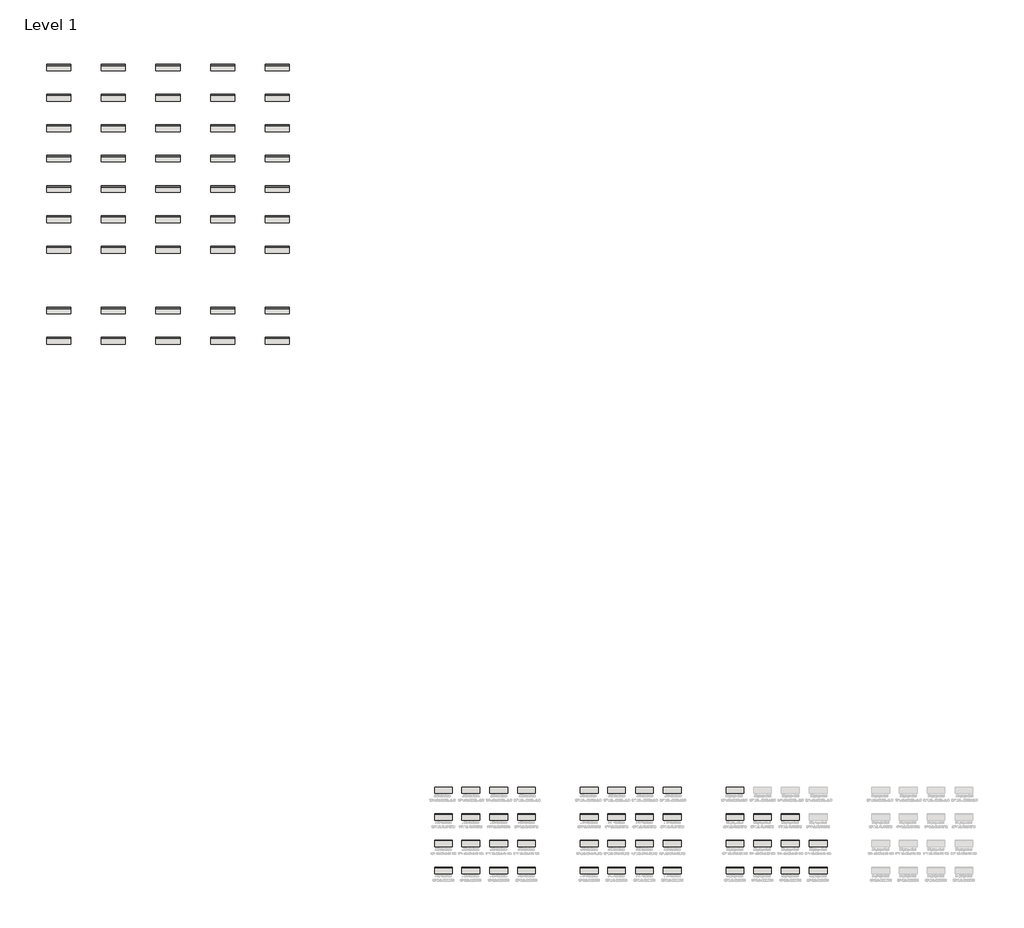
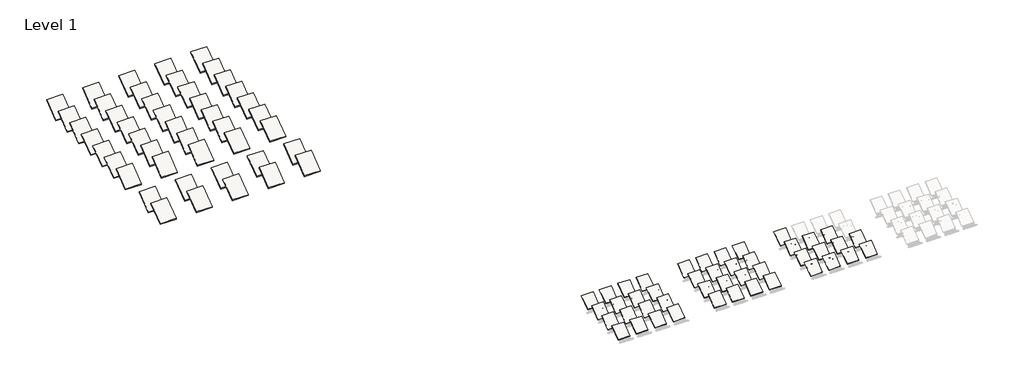
# One storey, part 1 of 65: 89 roofs.
"""IFC4 building model written with IfcOpenShell, lengths in millimetres."""

from ifc_helpers import new_model, si_unit, frame, origin, place, context, project, spatial, polyline, outline, extrude, element, save

model = new_model("IFC4")

# Units and contexts
model_context = context("Model", 3, world=origin())
ifc_project = project(units=[si_unit("LENGTHUNIT", "METRE", prefix="MILLI")], contexts=[model_context])

# Site, building, storey
site = spatial("IfcSite", under=ifc_project)
building = spatial("IfcBuilding", under=site)
storey = spatial("IfcBuildingStorey", under=building, Name="Level 1", Elevation=0.0)

# Roofs
placement = place(None, origin())
element("IfcRoof", 1, at=placement, inside=storey, context=model_context, shape_type="SweptSolid", body=[
    extrude(outline(polyline([(-510.368034, 67.46875), (3604.431966, 3153.56875), (3604.431966, 3086.1), (-510.368034, 0.0), (-510.368034, 67.46875)])), frame((-14989.2642733, 0.0, 0.0), z_axis=(1.0, 0.0, 0.0), x_axis=(0.0, 1.0, 0.0)), (0.0, 0.0, 1.0), 4455.1600003),
])
element("IfcRoof", 2, at=placement, inside=storey, context=model_context, shape_type="SweptSolid", body=[
    extrude(outline(polyline([(-510.368034, 67.46875), (3604.431966, 3153.56875), (3604.431966, 3086.1), (-510.368034, 0.0), (-510.368034, 67.46875)])), frame((-8131.2642733, 0.0, 0.0), z_axis=(1.0, 0.0, 0.0), x_axis=(0.0, 1.0, 0.0)), (0.0, 0.0, 1.0), 4455.1600003),
])
element("IfcRoof", 3, at=placement, inside=storey, context=model_context, shape_type="SweptSolid", body=[
    extrude(outline(polyline([(-510.368034, 67.46875), (3604.431966, 3153.56875), (3604.431966, 3086.1), (-510.368034, 0.0), (-510.368034, 67.46875)])), frame((-1120.8642733, 0.0, 0.0), z_axis=(1.0, 0.0, 0.0), x_axis=(0.0, 1.0, 0.0)), (0.0, 0.0, 1.0), 4455.1600003),
])
element("IfcRoof", 4, at=placement, inside=storey, context=model_context, shape_type="SweptSolid", body=[
    extrude(outline(polyline([(-510.368034, 67.46875), (3604.431966, 3153.56875), (3604.431966, 3086.1), (-510.368034, 0.0), (-510.368034, 67.46875)])), frame((5864.1357267, 0.0, 0.0), z_axis=(1.0, 0.0, 0.0), x_axis=(0.0, 1.0, 0.0)), (0.0, 0.0, 1.0), 4455.1600003),
])
element("IfcRoof", 5, at=placement, inside=storey, context=model_context, shape_type="SweptSolid", body=[
    extrude(outline(polyline([(6195.231966, 67.46875), (10310.031966, 3153.56875), (10310.031966, 3086.1), (6195.231966, 0.0), (6195.231966, 67.46875)])), frame((-14989.2642733, 0.0, 0.0), z_axis=(1.0, 0.0, 0.0), x_axis=(0.0, 1.0, 0.0)), (0.0, 0.0, 1.0), 4455.1600003),
])
element("IfcRoof", 6, at=placement, inside=storey, context=model_context, shape_type="SweptSolid", body=[
    extrude(outline(polyline([(6195.231966, 67.46875), (10310.031966, 3153.56875), (10310.031966, 3086.1), (6195.231966, 0.0), (6195.231966, 67.46875)])), frame((-8131.2642733, 0.0, 0.0), z_axis=(1.0, 0.0, 0.0), x_axis=(0.0, 1.0, 0.0)), (0.0, 0.0, 1.0), 4455.1600003),
])
element("IfcRoof", 7, at=placement, inside=storey, context=model_context, shape_type="SweptSolid", body=[
    extrude(outline(polyline([(6195.231966, 67.46875), (10310.031966, 3153.56875), (10310.031966, 3086.1), (6195.231966, 0.0), (6195.231966, 67.46875)])), frame((-1120.8642733, 0.0, 0.0), z_axis=(1.0, 0.0, 0.0), x_axis=(0.0, 1.0, 0.0)), (0.0, 0.0, 1.0), 4455.1600003),
])
element("IfcRoof", 8, at=placement, inside=storey, context=model_context, shape_type="SweptSolid", body=[
    extrude(outline(polyline([(6195.231966, 67.46875), (10310.031966, 3153.56875), (10310.031966, 3086.1), (6195.231966, 0.0), (6195.231966, 67.46875)])), frame((5864.1357267, 0.0, 0.0), z_axis=(1.0, 0.0, 0.0), x_axis=(0.0, 1.0, 0.0)), (0.0, 0.0, 1.0), 4455.1600003),
])
element("IfcRoof", 9, at=placement, inside=storey, context=model_context, shape_type="SweptSolid", body=[
    extrude(outline(polyline([(12900.355716, 67.46875), (17015.155716, 3153.56875), (17015.155716, 3086.1), (12900.355716, 0.0), (12900.355716, 67.46875)])), frame((-14989.2642733, 0.0, 0.0), z_axis=(1.0, 0.0, 0.0), x_axis=(0.0, 1.0, 0.0)), (0.0, 0.0, 1.0), 4455.1600003),
])
element("IfcRoof", 10, at=placement, inside=storey, context=model_context, shape_type="SweptSolid", body=[
    extrude(outline(polyline([(12900.355716, 67.46875), (17015.155716, 3153.56875), (17015.155716, 3086.1), (12900.355716, 0.0), (12900.355716, 67.46875)])), frame((-8131.2642733, 0.0, 0.0), z_axis=(1.0, 0.0, 0.0), x_axis=(0.0, 1.0, 0.0)), (0.0, 0.0, 1.0), 4455.1600003),
])
element("IfcRoof", 11, at=placement, inside=storey, context=model_context, shape_type="SweptSolid", body=[
    extrude(outline(polyline([(12900.355716, 67.46875), (17015.155716, 3153.56875), (17015.155716, 3086.1), (12900.355716, 0.0), (12900.355716, 67.46875)])), frame((-1120.8642733, 0.0, 0.0), z_axis=(1.0, 0.0, 0.0), x_axis=(0.0, 1.0, 0.0)), (0.0, 0.0, 1.0), 4455.1600003),
])
element("IfcRoof", 12, at=placement, inside=storey, context=model_context, shape_type="SweptSolid", body=[
    extrude(outline(polyline([(12900.355716, 67.46875), (17015.155716, 3153.56875), (17015.155716, 3086.1), (12900.355716, 0.0), (12900.355716, 67.46875)])), frame((5864.1357267, 0.0, 0.0), z_axis=(1.0, 0.0, 0.0), x_axis=(0.0, 1.0, 0.0)), (0.0, 0.0, 1.0), 4455.1600003),
])
element("IfcRoof", 13, at=placement, inside=storey, context=model_context, shape_type="SweptSolid", body=[
    extrude(outline(polyline([(19605.479466, 67.46875), (23720.279466, 3153.56875), (23720.279466, 3086.1), (19605.479466, 0.0), (19605.479466, 67.46875)])), frame((-14989.2642733, 0.0, 0.0), z_axis=(1.0, 0.0, 0.0), x_axis=(0.0, 1.0, 0.0)), (0.0, 0.0, 1.0), 4455.1600003),
])
element("IfcRoof", 14, at=placement, inside=storey, context=model_context, shape_type="SweptSolid", body=[
    extrude(outline(polyline([(19605.479466, 67.46875), (23720.279466, 3153.56875), (23720.279466, 3086.1), (19605.479466, 0.0), (19605.479466, 67.46875)])), frame((-8131.2642733, 0.0, 0.0), z_axis=(1.0, 0.0, 0.0), x_axis=(0.0, 1.0, 0.0)), (0.0, 0.0, 1.0), 4455.1600003),
])
element("IfcRoof", 15, at=placement, inside=storey, context=model_context, shape_type="SweptSolid", body=[
    extrude(outline(polyline([(19605.479466, 67.46875), (23720.279466, 3153.56875), (23720.279466, 3086.1), (19605.479466, 0.0), (19605.479466, 67.46875)])), frame((-1120.8642733, 0.0, 0.0), z_axis=(1.0, 0.0, 0.0), x_axis=(0.0, 1.0, 0.0)), (0.0, 0.0, 1.0), 4455.1600003),
])
element("IfcRoof", 16, at=placement, inside=storey, context=model_context, shape_type="SweptSolid", body=[
    extrude(outline(polyline([(19605.479466, 67.46875), (23720.279466, 3153.56875), (23720.279466, 3086.1), (19605.479466, 0.0), (19605.479466, 67.46875)])), frame((5864.1357267, 0.0, 0.0), z_axis=(1.0, 0.0, 0.0), x_axis=(0.0, 1.0, 0.0)), (0.0, 0.0, 1.0), 4455.1600003),
])
element("IfcRoof", 17, at=placement, inside=storey, context=model_context, shape_type="SweptSolid", body=[
    extrude(outline(polyline([(-510.606159, 67.46875), (3604.193841, 3153.56875), (3604.193841, 3086.1), (-510.606159, 0.0), (-510.606159, 67.46875)])), frame((21596.895727, 0.0, 0.0), z_axis=(1.0, 0.0, 0.0), x_axis=(0.0, 1.0, 0.0)), (0.0, 0.0, 1.0), 4455.1600003),
])
element("IfcRoof", 18, at=placement, inside=storey, context=model_context, shape_type="SweptSolid", body=[
    extrude(outline(polyline([(-510.606159, 67.46875), (3604.193841, 3153.56875), (3604.193841, 3086.1), (-510.606159, 0.0), (-510.606159, 67.46875)])), frame((28454.895727, 0.0, 0.0), z_axis=(1.0, 0.0, 0.0), x_axis=(0.0, 1.0, 0.0)), (0.0, 0.0, 1.0), 4455.1600003),
])
element("IfcRoof", 19, at=placement, inside=storey, context=model_context, shape_type="SweptSolid", body=[
    extrude(outline(polyline([(-510.606159, 67.46875), (3604.193841, 3153.56875), (3604.193841, 3086.1), (-510.606159, 0.0), (-510.606159, 67.46875)])), frame((35465.295727, 0.0, 0.0), z_axis=(1.0, 0.0, 0.0), x_axis=(0.0, 1.0, 0.0)), (0.0, 0.0, 1.0), 4455.1600003),
])
element("IfcRoof", 20, at=placement, inside=storey, context=model_context, shape_type="SweptSolid", body=[
    extrude(outline(polyline([(-510.606159, 67.46875), (3604.193841, 3153.56875), (3604.193841, 3086.1), (-510.606159, 0.0), (-510.606159, 67.46875)])), frame((42450.295727, 0.0, 0.0), z_axis=(1.0, 0.0, 0.0), x_axis=(0.0, 1.0, 0.0)), (0.0, 0.0, 1.0), 4455.1600003),
])
element("IfcRoof", 21, at=placement, inside=storey, context=model_context, shape_type="SweptSolid", body=[
    extrude(outline(polyline([(6194.993841, 67.46875), (10309.793841, 3153.56875), (10309.793841, 3086.1), (6194.993841, 0.0), (6194.993841, 67.46875)])), frame((21596.895727, 0.0, 0.0), z_axis=(1.0, 0.0, 0.0), x_axis=(0.0, 1.0, 0.0)), (0.0, 0.0, 1.0), 4455.1600003),
])
element("IfcRoof", 22, at=placement, inside=storey, context=model_context, shape_type="SweptSolid", body=[
    extrude(outline(polyline([(6194.993841, 67.46875), (10309.793841, 3153.56875), (10309.793841, 3086.1), (6194.993841, 0.0), (6194.993841, 67.46875)])), frame((28454.895727, 0.0, 0.0), z_axis=(1.0, 0.0, 0.0), x_axis=(0.0, 1.0, 0.0)), (0.0, 0.0, 1.0), 4455.1600003),
])
element("IfcRoof", 23, at=placement, inside=storey, context=model_context, shape_type="SweptSolid", body=[
    extrude(outline(polyline([(6194.993841, 67.46875), (10309.793841, 3153.56875), (10309.793841, 3086.1), (6194.993841, 0.0), (6194.993841, 67.46875)])), frame((35465.295727, 0.0, 0.0), z_axis=(1.0, 0.0, 0.0), x_axis=(0.0, 1.0, 0.0)), (0.0, 0.0, 1.0), 4455.1600003),
])
element("IfcRoof", 24, at=placement, inside=storey, context=model_context, shape_type="SweptSolid", body=[
    extrude(outline(polyline([(6194.993841, 67.46875), (10309.793841, 3153.56875), (10309.793841, 3086.1), (6194.993841, 0.0), (6194.993841, 67.46875)])), frame((42450.295727, 0.0, 0.0), z_axis=(1.0, 0.0, 0.0), x_axis=(0.0, 1.0, 0.0)), (0.0, 0.0, 1.0), 4455.1600003),
])
element("IfcRoof", 25, at=placement, inside=storey, context=model_context, shape_type="SweptSolid", body=[
    extrude(outline(polyline([(12900.117591, 67.46875), (17014.917591, 3153.56875), (17014.917591, 3086.1), (12900.117591, 0.0), (12900.117591, 67.46875)])), frame((21596.895727, 0.0, 0.0), z_axis=(1.0, 0.0, 0.0), x_axis=(0.0, 1.0, 0.0)), (0.0, 0.0, 1.0), 4455.1600003),
])
element("IfcRoof", 26, at=placement, inside=storey, context=model_context, shape_type="SweptSolid", body=[
    extrude(outline(polyline([(12900.117591, 67.46875), (17014.917591, 3153.56875), (17014.917591, 3086.1), (12900.117591, 0.0), (12900.117591, 67.46875)])), frame((28454.895727, 0.0, 0.0), z_axis=(1.0, 0.0, 0.0), x_axis=(0.0, 1.0, 0.0)), (0.0, 0.0, 1.0), 4455.1600003),
])
element("IfcRoof", 27, at=placement, inside=storey, context=model_context, shape_type="SweptSolid", body=[
    extrude(outline(polyline([(12900.117591, 67.46875), (17014.917591, 3153.56875), (17014.917591, 3086.1), (12900.117591, 0.0), (12900.117591, 67.46875)])), frame((35465.295727, 0.0, 0.0), z_axis=(1.0, 0.0, 0.0), x_axis=(0.0, 1.0, 0.0)), (0.0, 0.0, 1.0), 4455.1600003),
])
element("IfcRoof", 28, at=placement, inside=storey, context=model_context, shape_type="SweptSolid", body=[
    extrude(outline(polyline([(12900.117591, 67.46875), (17014.917591, 3153.56875), (17014.917591, 3086.1), (12900.117591, 0.0), (12900.117591, 67.46875)])), frame((42450.295727, 0.0, 0.0), z_axis=(1.0, 0.0, 0.0), x_axis=(0.0, 1.0, 0.0)), (0.0, 0.0, 1.0), 4455.1600003),
])
element("IfcRoof", 29, at=placement, inside=storey, context=model_context, shape_type="SweptSolid", body=[
    extrude(outline(polyline([(19605.241341, 67.46875), (23720.041341, 3153.56875), (23720.041341, 3086.1), (19605.241341, 0.0), (19605.241341, 67.46875)])), frame((21596.895727, 0.0, 0.0), z_axis=(1.0, 0.0, 0.0), x_axis=(0.0, 1.0, 0.0)), (0.0, 0.0, 1.0), 4455.1600003),
])
element("IfcRoof", 30, at=placement, inside=storey, context=model_context, shape_type="SweptSolid", body=[
    extrude(outline(polyline([(19605.241341, 67.46875), (23720.041341, 3153.56875), (23720.041341, 3086.1), (19605.241341, 0.0), (19605.241341, 67.46875)])), frame((28454.895727, 0.0, 0.0), z_axis=(1.0, 0.0, 0.0), x_axis=(0.0, 1.0, 0.0)), (0.0, 0.0, 1.0), 4455.1600003),
])
element("IfcRoof", 31, at=placement, inside=storey, context=model_context, shape_type="SweptSolid", body=[
    extrude(outline(polyline([(19605.241341, 67.46875), (23720.041341, 3153.56875), (23720.041341, 3086.1), (19605.241341, 0.0), (19605.241341, 67.46875)])), frame((35465.295727, 0.0, 0.0), z_axis=(1.0, 0.0, 0.0), x_axis=(0.0, 1.0, 0.0)), (0.0, 0.0, 1.0), 4455.1600003),
])
element("IfcRoof", 32, at=placement, inside=storey, context=model_context, shape_type="SweptSolid", body=[
    extrude(outline(polyline([(19605.241341, 67.46875), (23720.041341, 3153.56875), (23720.041341, 3086.1), (19605.241341, 0.0), (19605.241341, 67.46875)])), frame((42450.295727, 0.0, 0.0), z_axis=(1.0, 0.0, 0.0), x_axis=(0.0, 1.0, 0.0)), (0.0, 0.0, 1.0), 4455.1600003),
])
element("IfcRoof", 33, at=placement, inside=storey, context=model_context, shape_type="SweptSolid", body=[
    extrude(outline(polyline([(-509.2964715, 67.46875), (3605.5035285, 3153.56875), (3605.5035285, 3086.1), (-509.2964715, 0.0), (-509.2964715, 67.46875)])), frame((58183.0557273, 0.0, 0.0), z_axis=(1.0, 0.0, 0.0), x_axis=(0.0, 1.0, 0.0)), (0.0, 0.0, 1.0), 4455.1600003),
])
element("IfcRoof", 34, at=placement, inside=storey, context=model_context, shape_type="SweptSolid", body=[
    extrude(outline(polyline([(-509.2964715, 67.46875), (3605.5035285, 3153.56875), (3605.5035285, 3086.1), (-509.2964715, 0.0), (-509.2964715, 67.46875)])), frame((65041.0557273, 0.0, 0.0), z_axis=(1.0, 0.0, 0.0), x_axis=(0.0, 1.0, 0.0)), (0.0, 0.0, 1.0), 4455.1600003),
])
element("IfcRoof", 35, at=placement, inside=storey, context=model_context, shape_type="SweptSolid", body=[
    extrude(outline(polyline([(-509.2964715, 67.46875), (3605.5035285, 3153.56875), (3605.5035285, 3086.1), (-509.2964715, 0.0), (-509.2964715, 67.46875)])), frame((72051.4557273, 0.0, 0.0), z_axis=(1.0, 0.0, 0.0), x_axis=(0.0, 1.0, 0.0)), (0.0, 0.0, 1.0), 4455.1600003),
])
element("IfcRoof", 36, at=placement, inside=storey, context=model_context, shape_type="SweptSolid", body=[
    extrude(outline(polyline([(-509.2964715, 67.46875), (3605.5035285, 3153.56875), (3605.5035285, 3086.1), (-509.2964715, 0.0), (-509.2964715, 67.46875)])), frame((79036.4557273, 0.0, 0.0), z_axis=(1.0, 0.0, 0.0), x_axis=(0.0, 1.0, 0.0)), (0.0, 0.0, 1.0), 4455.1600003),
])
element("IfcRoof", 37, at=placement, inside=storey, context=model_context, shape_type="SweptSolid", body=[
    extrude(outline(polyline([(6196.3035285, 67.46875), (10311.1035285, 3153.56875), (10311.1035285, 3086.1), (6196.3035285, 0.0), (6196.3035285, 67.46875)])), frame((58183.0557273, 0.0, 0.0), z_axis=(1.0, 0.0, 0.0), x_axis=(0.0, 1.0, 0.0)), (0.0, 0.0, 1.0), 4455.1600003),
])
element("IfcRoof", 38, at=placement, inside=storey, context=model_context, shape_type="SweptSolid", body=[
    extrude(outline(polyline([(6196.3035285, 67.46875), (10311.1035285, 3153.56875), (10311.1035285, 3086.1), (6196.3035285, 0.0), (6196.3035285, 67.46875)])), frame((65041.0557273, 0.0, 0.0), z_axis=(1.0, 0.0, 0.0), x_axis=(0.0, 1.0, 0.0)), (0.0, 0.0, 1.0), 4455.1600003),
])
element("IfcRoof", 39, at=placement, inside=storey, context=model_context, shape_type="SweptSolid", body=[
    extrude(outline(polyline([(6196.3035285, 67.46875), (10311.1035285, 3153.56875), (10311.1035285, 3086.1), (6196.3035285, 0.0), (6196.3035285, 67.46875)])), frame((72051.4557273, 0.0, 0.0), z_axis=(1.0, 0.0, 0.0), x_axis=(0.0, 1.0, 0.0)), (0.0, 0.0, 1.0), 4455.1600003),
])
element("IfcRoof", 40, at=placement, inside=storey, context=model_context, shape_type="SweptSolid", body=[
    extrude(outline(polyline([(6196.3035285, 67.46875), (10311.1035285, 3153.56875), (10311.1035285, 3086.1), (6196.3035285, 0.0), (6196.3035285, 67.46875)])), frame((79036.4557273, 0.0, 0.0), z_axis=(1.0, 0.0, 0.0), x_axis=(0.0, 1.0, 0.0)), (0.0, 0.0, 1.0), 4455.1600003),
])
element("IfcRoof", 41, at=placement, inside=storey, context=model_context, shape_type="SweptSolid", body=[
    extrude(outline(polyline([(12901.9035285, 67.46875), (17016.7035285, 3153.56875), (17016.7035285, 3086.1), (12901.9035285, 0.0), (12901.9035285, 67.46875)])), frame((58183.0557273, 0.0, 0.0), z_axis=(1.0, 0.0, 0.0), x_axis=(0.0, 1.0, 0.0)), (0.0, 0.0, 1.0), 4455.1600003),
])
element("IfcRoof", 42, at=placement, inside=storey, context=model_context, shape_type="SweptSolid", body=[
    extrude(outline(polyline([(12901.9035285, 67.46875), (17016.7035285, 3153.56875), (17016.7035285, 3086.1), (12901.9035285, 0.0), (12901.9035285, 67.46875)])), frame((65041.0557273, 0.0, 0.0), z_axis=(1.0, 0.0, 0.0), x_axis=(0.0, 1.0, 0.0)), (0.0, 0.0, 1.0), 4455.1600003),
])
element("IfcRoof", 43, at=placement, inside=storey, context=model_context, shape_type="SweptSolid", body=[
    extrude(outline(polyline([(12901.9035285, 67.46875), (17016.7035285, 3153.56875), (17016.7035285, 3086.1), (12901.9035285, 0.0), (12901.9035285, 67.46875)])), frame((72051.4557273, 0.0, 0.0), z_axis=(1.0, 0.0, 0.0), x_axis=(0.0, 1.0, 0.0)), (0.0, 0.0, 1.0), 4455.1600003),
])
element("IfcRoof", 44, at=placement, inside=storey, context=model_context, shape_type="SweptSolid", body=[
    extrude(outline(polyline([(19607.0272785, 67.46875), (23721.8272785, 3153.56875), (23721.8272785, 3086.1), (19607.0272785, 0.0), (19607.0272785, 67.46875)])), frame((58183.0557273, 0.0, 0.0), z_axis=(1.0, 0.0, 0.0), x_axis=(0.0, 1.0, 0.0)), (0.0, 0.0, 1.0), 4455.1600003),
])
element("IfcRoof", 45, at=placement, inside=storey, context=model_context, shape_type="SweptSolid", body=[
    extrude(outline(polyline([(132349.9089806, 219.5417395), (138445.9089806, 4791.5417395), (138445.9089806, 4505.7917395), (132349.9089806, -66.2082605), (132349.9089806, 219.5417395)])), frame((-112364.8308548, 0.0, 0.0), z_axis=(1.0, 0.0, 0.0), x_axis=(0.0, 1.0, 0.0)), (0.0, 0.0, 1.0), 6096.0),
])
element("IfcRoof", 46, at=placement, inside=storey, context=model_context, shape_type="SweptSolid", body=[
    extrude(outline(polyline([(132349.9089806, 219.5417395), (138445.9089806, 4791.5417395), (138445.9089806, 4505.7917395), (132349.9089806, -66.2082605), (132349.9089806, 219.5417395)])), frame((-98648.8308548, 0.0, 0.0), z_axis=(1.0, 0.0, 0.0), x_axis=(0.0, 1.0, 0.0)), (0.0, 0.0, 1.0), 6096.0),
])
element("IfcRoof", 47, at=placement, inside=storey, context=model_context, shape_type="SweptSolid", body=[
    extrude(outline(polyline([(132349.9089806, 219.5417395), (138445.9089806, 4791.5417395), (138445.9089806, 4505.7917395), (132349.9089806, -66.2082605), (132349.9089806, 219.5417395)])), frame((-84932.8308548, 0.0, 0.0), z_axis=(1.0, 0.0, 0.0), x_axis=(0.0, 1.0, 0.0)), (0.0, 0.0, 1.0), 6096.0),
])
element("IfcRoof", 48, at=placement, inside=storey, context=model_context, shape_type="SweptSolid", body=[
    extrude(outline(polyline([(132349.9089806, 219.5417395), (138445.9089806, 4791.5417395), (138445.9089806, 4505.7917395), (132349.9089806, -66.2082605), (132349.9089806, 219.5417395)])), frame((-71216.8308548, 0.0, 0.0), z_axis=(1.0, 0.0, 0.0), x_axis=(0.0, 1.0, 0.0)), (0.0, 0.0, 1.0), 6096.0),
])
element("IfcRoof", 49, at=placement, inside=storey, context=model_context, shape_type="SweptSolid", body=[
    extrude(outline(polyline([(132349.9089806, 219.5417395), (138445.9089806, 4791.5417395), (138445.9089806, 4505.7917395), (132349.9089806, -66.2082605), (132349.9089806, 219.5417395)])), frame((-57500.8308548, 0.0, 0.0), z_axis=(1.0, 0.0, 0.0), x_axis=(0.0, 1.0, 0.0)), (0.0, 0.0, 1.0), 6096.0),
])
element("IfcRoof", 50, at=placement, inside=storey, context=model_context, shape_type="SweptSolid", body=[
    extrude(outline(polyline([(139969.9089806, 219.5417395), (146065.9089806, 4791.5417395), (146065.9089806, 4505.7917395), (139969.9089806, -66.2082605), (139969.9089806, 219.5417395)])), frame((-112364.8308548, 0.0, 0.0), z_axis=(1.0, 0.0, 0.0), x_axis=(0.0, 1.0, 0.0)), (0.0, 0.0, 1.0), 6096.0),
])
element("IfcRoof", 51, at=placement, inside=storey, context=model_context, shape_type="SweptSolid", body=[
    extrude(outline(polyline([(139969.9089806, 219.5417395), (146065.9089806, 4791.5417395), (146065.9089806, 4505.7917395), (139969.9089806, -66.2082605), (139969.9089806, 219.5417395)])), frame((-98648.8308548, 0.0, 0.0), z_axis=(1.0, 0.0, 0.0), x_axis=(0.0, 1.0, 0.0)), (0.0, 0.0, 1.0), 6096.0),
])
element("IfcRoof", 52, at=placement, inside=storey, context=model_context, shape_type="SweptSolid", body=[
    extrude(outline(polyline([(139969.9089806, 219.5417395), (146065.9089806, 4791.5417395), (146065.9089806, 4505.7917395), (139969.9089806, -66.2082605), (139969.9089806, 219.5417395)])), frame((-84932.8308548, 0.0, 0.0), z_axis=(1.0, 0.0, 0.0), x_axis=(0.0, 1.0, 0.0)), (0.0, 0.0, 1.0), 6096.0),
])
element("IfcRoof", 53, at=placement, inside=storey, context=model_context, shape_type="SweptSolid", body=[
    extrude(outline(polyline([(139969.9089806, 219.5417395), (146065.9089806, 4791.5417395), (146065.9089806, 4505.7917395), (139969.9089806, -66.2082605), (139969.9089806, 219.5417395)])), frame((-71216.8308548, 0.0, 0.0), z_axis=(1.0, 0.0, 0.0), x_axis=(0.0, 1.0, 0.0)), (0.0, 0.0, 1.0), 6096.0),
])
element("IfcRoof", 54, at=placement, inside=storey, context=model_context, shape_type="SweptSolid", body=[
    extrude(outline(polyline([(139969.9089806, 219.5417395), (146065.9089806, 4791.5417395), (146065.9089806, 4505.7917395), (139969.9089806, -66.2082605), (139969.9089806, 219.5417395)])), frame((-57500.8308548, 0.0, 0.0), z_axis=(1.0, 0.0, 0.0), x_axis=(0.0, 1.0, 0.0)), (0.0, 0.0, 1.0), 6096.0),
])
element("IfcRoof", 55, at=placement, inside=storey, context=model_context, shape_type="SweptSolid", body=[
    extrude(outline(polyline([(155209.9089806, 219.5417395), (161305.9089806, 4791.5417395), (161305.9089806, 4505.7917395), (155209.9089806, -66.2082605), (155209.9089806, 219.5417395)])), frame((-112364.8308548, 0.0, 0.0), z_axis=(1.0, 0.0, 0.0), x_axis=(0.0, 1.0, 0.0)), (0.0, 0.0, 1.0), 6096.0),
])
element("IfcRoof", 56, at=placement, inside=storey, context=model_context, shape_type="SweptSolid", body=[
    extrude(outline(polyline([(155209.9089806, 219.5417395), (161305.9089806, 4791.5417395), (161305.9089806, 4505.7917395), (155209.9089806, -66.2082605), (155209.9089806, 219.5417395)])), frame((-98648.8308548, 0.0, 0.0), z_axis=(1.0, 0.0, 0.0), x_axis=(0.0, 1.0, 0.0)), (0.0, 0.0, 1.0), 6096.0),
])
element("IfcRoof", 57, at=placement, inside=storey, context=model_context, shape_type="SweptSolid", body=[
    extrude(outline(polyline([(155209.9089806, 219.5417395), (161305.9089806, 4791.5417395), (161305.9089806, 4505.7917395), (155209.9089806, -66.2082605), (155209.9089806, 219.5417395)])), frame((-84932.8308548, 0.0, 0.0), z_axis=(1.0, 0.0, 0.0), x_axis=(0.0, 1.0, 0.0)), (0.0, 0.0, 1.0), 6096.0),
])
element("IfcRoof", 58, at=placement, inside=storey, context=model_context, shape_type="SweptSolid", body=[
    extrude(outline(polyline([(155209.9089806, 219.5417395), (161305.9089806, 4791.5417395), (161305.9089806, 4505.7917395), (155209.9089806, -66.2082605), (155209.9089806, 219.5417395)])), frame((-71216.8308548, 0.0, 0.0), z_axis=(1.0, 0.0, 0.0), x_axis=(0.0, 1.0, 0.0)), (0.0, 0.0, 1.0), 6096.0),
])
element("IfcRoof", 59, at=placement, inside=storey, context=model_context, shape_type="SweptSolid", body=[
    extrude(outline(polyline([(155209.9089806, 219.5417395), (161305.9089806, 4791.5417395), (161305.9089806, 4505.7917395), (155209.9089806, -66.2082605), (155209.9089806, 219.5417395)])), frame((-57500.8308548, 0.0, 0.0), z_axis=(1.0, 0.0, 0.0), x_axis=(0.0, 1.0, 0.0)), (0.0, 0.0, 1.0), 6096.0),
])
element("IfcRoof", 60, at=placement, inside=storey, context=model_context, shape_type="SweptSolid", body=[
    extrude(outline(polyline([(162829.9089806, 219.5417395), (168925.9089806, 4791.5417395), (168925.9089806, 4505.7917395), (162829.9089806, -66.2082605), (162829.9089806, 219.5417395)])), frame((-112364.8308548, 0.0, 0.0), z_axis=(1.0, 0.0, 0.0), x_axis=(0.0, 1.0, 0.0)), (0.0, 0.0, 1.0), 6096.0),
])
element("IfcRoof", 61, at=placement, inside=storey, context=model_context, shape_type="SweptSolid", body=[
    extrude(outline(polyline([(162829.9089806, 219.5417395), (168925.9089806, 4791.5417395), (168925.9089806, 4505.7917395), (162829.9089806, -66.2082605), (162829.9089806, 219.5417395)])), frame((-98648.8308548, 0.0, 0.0), z_axis=(1.0, 0.0, 0.0), x_axis=(0.0, 1.0, 0.0)), (0.0, 0.0, 1.0), 6096.0),
])
element("IfcRoof", 62, at=placement, inside=storey, context=model_context, shape_type="SweptSolid", body=[
    extrude(outline(polyline([(162829.9089806, 219.5417395), (168925.9089806, 4791.5417395), (168925.9089806, 4505.7917395), (162829.9089806, -66.2082605), (162829.9089806, 219.5417395)])), frame((-84932.8308548, 0.0, 0.0), z_axis=(1.0, 0.0, 0.0), x_axis=(0.0, 1.0, 0.0)), (0.0, 0.0, 1.0), 6096.0),
])
element("IfcRoof", 63, at=placement, inside=storey, context=model_context, shape_type="SweptSolid", body=[
    extrude(outline(polyline([(162829.9089806, 219.5417395), (168925.9089806, 4791.5417395), (168925.9089806, 4505.7917395), (162829.9089806, -66.2082605), (162829.9089806, 219.5417395)])), frame((-71216.8308548, 0.0, 0.0), z_axis=(1.0, 0.0, 0.0), x_axis=(0.0, 1.0, 0.0)), (0.0, 0.0, 1.0), 6096.0),
])
element("IfcRoof", 64, at=placement, inside=storey, context=model_context, shape_type="SweptSolid", body=[
    extrude(outline(polyline([(162829.9089806, 219.5417395), (168925.9089806, 4791.5417395), (168925.9089806, 4505.7917395), (162829.9089806, -66.2082605), (162829.9089806, 219.5417395)])), frame((-57500.8308548, 0.0, 0.0), z_axis=(1.0, 0.0, 0.0), x_axis=(0.0, 1.0, 0.0)), (0.0, 0.0, 1.0), 6096.0),
])
element("IfcRoof", 65, at=placement, inside=storey, context=model_context, shape_type="SweptSolid", body=[
    extrude(outline(polyline([(170449.9089806, 219.5417395), (176545.9089806, 4791.5417395), (176545.9089806, 4505.7917395), (170449.9089806, -66.2082605), (170449.9089806, 219.5417395)])), frame((-112364.8308548, 0.0, 0.0), z_axis=(1.0, 0.0, 0.0), x_axis=(0.0, 1.0, 0.0)), (0.0, 0.0, 1.0), 6096.0),
])
element("IfcRoof", 66, at=placement, inside=storey, context=model_context, shape_type="SweptSolid", body=[
    extrude(outline(polyline([(170449.9089806, 219.5417395), (176545.9089806, 4791.5417395), (176545.9089806, 4505.7917395), (170449.9089806, -66.2082605), (170449.9089806, 219.5417395)])), frame((-98648.8308548, 0.0, 0.0), z_axis=(1.0, 0.0, 0.0), x_axis=(0.0, 1.0, 0.0)), (0.0, 0.0, 1.0), 6096.0),
])
element("IfcRoof", 67, at=placement, inside=storey, context=model_context, shape_type="SweptSolid", body=[
    extrude(outline(polyline([(170449.9089806, 219.5417395), (176545.9089806, 4791.5417395), (176545.9089806, 4505.7917395), (170449.9089806, -66.2082605), (170449.9089806, 219.5417395)])), frame((-84932.8308548, 0.0, 0.0), z_axis=(1.0, 0.0, 0.0), x_axis=(0.0, 1.0, 0.0)), (0.0, 0.0, 1.0), 6096.0),
])
element("IfcRoof", 68, at=placement, inside=storey, context=model_context, shape_type="SweptSolid", body=[
    extrude(outline(polyline([(170449.9089806, 219.5417395), (176545.9089806, 4791.5417395), (176545.9089806, 4505.7917395), (170449.9089806, -66.2082605), (170449.9089806, 219.5417395)])), frame((-71216.8308548, 0.0, 0.0), z_axis=(1.0, 0.0, 0.0), x_axis=(0.0, 1.0, 0.0)), (0.0, 0.0, 1.0), 6096.0),
])
element("IfcRoof", 69, at=placement, inside=storey, context=model_context, shape_type="SweptSolid", body=[
    extrude(outline(polyline([(170449.9089806, 219.5417395), (176545.9089806, 4791.5417395), (176545.9089806, 4505.7917395), (170449.9089806, -66.2082605), (170449.9089806, 219.5417395)])), frame((-57500.8308548, 0.0, 0.0), z_axis=(1.0, 0.0, 0.0), x_axis=(0.0, 1.0, 0.0)), (0.0, 0.0, 1.0), 6096.0),
])
element("IfcRoof", 70, at=placement, inside=storey, context=model_context, shape_type="SweptSolid", body=[
    extrude(outline(polyline([(178069.9089806, 219.5417395), (184165.9089806, 4791.5417395), (184165.9089806, 4505.7917395), (178069.9089806, -66.2082605), (178069.9089806, 219.5417395)])), frame((-112364.8308548, 0.0, 0.0), z_axis=(1.0, 0.0, 0.0), x_axis=(0.0, 1.0, 0.0)), (0.0, 0.0, 1.0), 6096.0),
])
element("IfcRoof", 71, at=placement, inside=storey, context=model_context, shape_type="SweptSolid", body=[
    extrude(outline(polyline([(178069.9089806, 219.5417395), (184165.9089806, 4791.5417395), (184165.9089806, 4505.7917395), (178069.9089806, -66.2082605), (178069.9089806, 219.5417395)])), frame((-98648.8308548, 0.0, 0.0), z_axis=(1.0, 0.0, 0.0), x_axis=(0.0, 1.0, 0.0)), (0.0, 0.0, 1.0), 6096.0),
])
element("IfcRoof", 72, at=placement, inside=storey, context=model_context, shape_type="SweptSolid", body=[
    extrude(outline(polyline([(178069.9089806, 219.5417395), (184165.9089806, 4791.5417395), (184165.9089806, 4505.7917395), (178069.9089806, -66.2082605), (178069.9089806, 219.5417395)])), frame((-84932.8308548, 0.0, 0.0), z_axis=(1.0, 0.0, 0.0), x_axis=(0.0, 1.0, 0.0)), (0.0, 0.0, 1.0), 6096.0),
])
element("IfcRoof", 73, at=placement, inside=storey, context=model_context, shape_type="SweptSolid", body=[
    extrude(outline(polyline([(178069.9089806, 219.5417395), (184165.9089806, 4791.5417395), (184165.9089806, 4505.7917395), (178069.9089806, -66.2082605), (178069.9089806, 219.5417395)])), frame((-71216.8308548, 0.0, 0.0), z_axis=(1.0, 0.0, 0.0), x_axis=(0.0, 1.0, 0.0)), (0.0, 0.0, 1.0), 6096.0),
])
element("IfcRoof", 74, at=placement, inside=storey, context=model_context, shape_type="SweptSolid", body=[
    extrude(outline(polyline([(178069.9089806, 219.5417395), (184165.9089806, 4791.5417395), (184165.9089806, 4505.7917395), (178069.9089806, -66.2082605), (178069.9089806, 219.5417395)])), frame((-57500.8308548, 0.0, 0.0), z_axis=(1.0, 0.0, 0.0), x_axis=(0.0, 1.0, 0.0)), (0.0, 0.0, 1.0), 6096.0),
])
element("IfcRoof", 75, at=placement, inside=storey, context=model_context, shape_type="SweptSolid", body=[
    extrude(outline(polyline([(185689.9089806, 219.5417395), (191785.9089806, 4791.5417395), (191785.9089806, 4505.7917395), (185689.9089806, -66.2082605), (185689.9089806, 219.5417395)])), frame((-112364.8308548, 0.0, 0.0), z_axis=(1.0, 0.0, 0.0), x_axis=(0.0, 1.0, 0.0)), (0.0, 0.0, 1.0), 6096.0),
])
element("IfcRoof", 76, at=placement, inside=storey, context=model_context, shape_type="SweptSolid", body=[
    extrude(outline(polyline([(185689.9089806, 219.5417395), (191785.9089806, 4791.5417395), (191785.9089806, 4505.7917395), (185689.9089806, -66.2082605), (185689.9089806, 219.5417395)])), frame((-98648.8308548, 0.0, 0.0), z_axis=(1.0, 0.0, 0.0), x_axis=(0.0, 1.0, 0.0)), (0.0, 0.0, 1.0), 6096.0),
])
element("IfcRoof", 77, at=placement, inside=storey, context=model_context, shape_type="SweptSolid", body=[
    extrude(outline(polyline([(185689.9089806, 219.5417395), (191785.9089806, 4791.5417395), (191785.9089806, 4505.7917395), (185689.9089806, -66.2082605), (185689.9089806, 219.5417395)])), frame((-84932.8308548, 0.0, 0.0), z_axis=(1.0, 0.0, 0.0), x_axis=(0.0, 1.0, 0.0)), (0.0, 0.0, 1.0), 6096.0),
])
element("IfcRoof", 78, at=placement, inside=storey, context=model_context, shape_type="SweptSolid", body=[
    extrude(outline(polyline([(185689.9089806, 219.5417395), (191785.9089806, 4791.5417395), (191785.9089806, 4505.7917395), (185689.9089806, -66.2082605), (185689.9089806, 219.5417395)])), frame((-71216.8308548, 0.0, 0.0), z_axis=(1.0, 0.0, 0.0), x_axis=(0.0, 1.0, 0.0)), (0.0, 0.0, 1.0), 6096.0),
])
element("IfcRoof", 79, at=placement, inside=storey, context=model_context, shape_type="SweptSolid", body=[
    extrude(outline(polyline([(185689.9089806, 219.5417395), (191785.9089806, 4791.5417395), (191785.9089806, 4505.7917395), (185689.9089806, -66.2082605), (185689.9089806, 219.5417395)])), frame((-57500.8308548, 0.0, 0.0), z_axis=(1.0, 0.0, 0.0), x_axis=(0.0, 1.0, 0.0)), (0.0, 0.0, 1.0), 6096.0),
])
element("IfcRoof", 80, at=placement, inside=storey, context=model_context, shape_type="SweptSolid", body=[
    extrude(outline(polyline([(193309.9089806, 219.5417395), (199405.9089806, 4791.5417395), (199405.9089806, 4505.7917395), (193309.9089806, -66.2082605), (193309.9089806, 219.5417395)])), frame((-112364.8308548, 0.0, 0.0), z_axis=(1.0, 0.0, 0.0), x_axis=(0.0, 1.0, 0.0)), (0.0, 0.0, 1.0), 6096.0),
])
element("IfcRoof", 81, at=placement, inside=storey, context=model_context, shape_type="SweptSolid", body=[
    extrude(outline(polyline([(193309.9089806, 219.5417395), (199405.9089806, 4791.5417395), (199405.9089806, 4505.7917395), (193309.9089806, -66.2082605), (193309.9089806, 219.5417395)])), frame((-98648.8308548, 0.0, 0.0), z_axis=(1.0, 0.0, 0.0), x_axis=(0.0, 1.0, 0.0)), (0.0, 0.0, 1.0), 6096.0),
])
element("IfcRoof", 82, at=placement, inside=storey, context=model_context, shape_type="SweptSolid", body=[
    extrude(outline(polyline([(193309.9089806, 219.5417395), (199405.9089806, 4791.5417395), (199405.9089806, 4505.7917395), (193309.9089806, -66.2082605), (193309.9089806, 219.5417395)])), frame((-84932.8308548, 0.0, 0.0), z_axis=(1.0, 0.0, 0.0), x_axis=(0.0, 1.0, 0.0)), (0.0, 0.0, 1.0), 6096.0),
])
element("IfcRoof", 83, at=placement, inside=storey, context=model_context, shape_type="SweptSolid", body=[
    extrude(outline(polyline([(193309.9089806, 219.5417395), (199405.9089806, 4791.5417395), (199405.9089806, 4505.7917395), (193309.9089806, -66.2082605), (193309.9089806, 219.5417395)])), frame((-71216.8308548, 0.0, 0.0), z_axis=(1.0, 0.0, 0.0), x_axis=(0.0, 1.0, 0.0)), (0.0, 0.0, 1.0), 6096.0),
])
element("IfcRoof", 84, at=placement, inside=storey, context=model_context, shape_type="SweptSolid", body=[
    extrude(outline(polyline([(193309.9089806, 219.5417395), (199405.9089806, 4791.5417395), (199405.9089806, 4505.7917395), (193309.9089806, -66.2082605), (193309.9089806, 219.5417395)])), frame((-57500.8308548, 0.0, 0.0), z_axis=(1.0, 0.0, 0.0), x_axis=(0.0, 1.0, 0.0)), (0.0, 0.0, 1.0), 6096.0),
])
element("IfcRoof", 85, at=placement, inside=storey, context=model_context, shape_type="SweptSolid", body=[
    extrude(outline(polyline([(200929.9089806, 219.5417395), (207025.9089806, 4791.5417395), (207025.9089806, 4505.7917395), (200929.9089806, -66.2082605), (200929.9089806, 219.5417395)])), frame((-112364.8308548, 0.0, 0.0), z_axis=(1.0, 0.0, 0.0), x_axis=(0.0, 1.0, 0.0)), (0.0, 0.0, 1.0), 6096.0),
])
element("IfcRoof", 86, at=placement, inside=storey, context=model_context, shape_type="SweptSolid", body=[
    extrude(outline(polyline([(200929.9089806, 219.5417395), (207025.9089806, 4791.5417395), (207025.9089806, 4505.7917395), (200929.9089806, -66.2082605), (200929.9089806, 219.5417395)])), frame((-98648.8308548, 0.0, 0.0), z_axis=(1.0, 0.0, 0.0), x_axis=(0.0, 1.0, 0.0)), (0.0, 0.0, 1.0), 6096.0),
])
element("IfcRoof", 87, at=placement, inside=storey, context=model_context, shape_type="SweptSolid", body=[
    extrude(outline(polyline([(200929.9089806, 219.5417395), (207025.9089806, 4791.5417395), (207025.9089806, 4505.7917395), (200929.9089806, -66.2082605), (200929.9089806, 219.5417395)])), frame((-84932.8308548, 0.0, 0.0), z_axis=(1.0, 0.0, 0.0), x_axis=(0.0, 1.0, 0.0)), (0.0, 0.0, 1.0), 6096.0),
])
element("IfcRoof", 88, at=placement, inside=storey, context=model_context, shape_type="SweptSolid", body=[
    extrude(outline(polyline([(200929.9089806, 219.5417395), (207025.9089806, 4791.5417395), (207025.9089806, 4505.7917395), (200929.9089806, -66.2082605), (200929.9089806, 219.5417395)])), frame((-71216.8308548, 0.0, 0.0), z_axis=(1.0, 0.0, 0.0), x_axis=(0.0, 1.0, 0.0)), (0.0, 0.0, 1.0), 6096.0),
])
element("IfcRoof", 89, at=placement, inside=storey, context=model_context, shape_type="SweptSolid", body=[
    extrude(outline(polyline([(200929.9089806, 219.5417395), (207025.9089806, 4791.5417395), (207025.9089806, 4505.7917395), (200929.9089806, -66.2082605), (200929.9089806, 219.5417395)])), frame((-57500.8308548, 0.0, 0.0), z_axis=(1.0, 0.0, 0.0), x_axis=(0.0, 1.0, 0.0)), (0.0, 0.0, 1.0), 6096.0),
])

save(model, "model.ifc")
